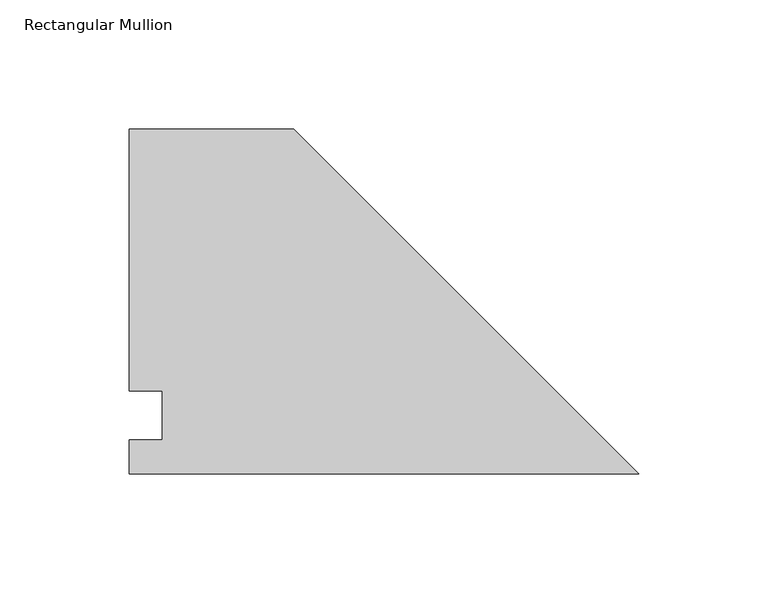
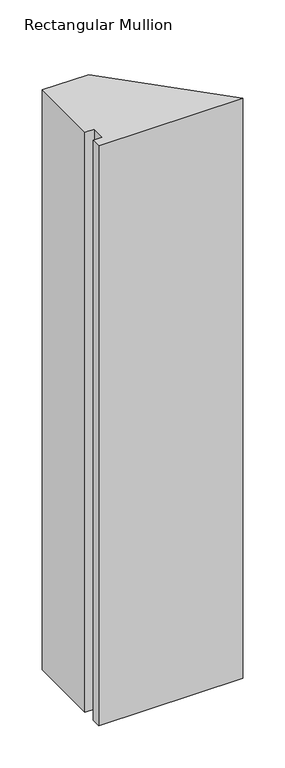
"""IFC4 building model written with IfcOpenShell, lengths in millimetres: member geometry, Rectangular Mullion."""

from ifc_helpers import new_model, si_unit, frame, origin, place, context, project, spatial, polyline, outline, extrude, source, transform, mapped, element, save


def rectangular_mullion_41188802(model_context):
    return source(origin(), model_context, "Body", "SweptSolid", [
        extrude(outline(polyline([(-133.4262, 133.4396937), (0.0, 0.0134937), (-196.9262, 0.0134937), (-196.9262, 13.1960937), (-184.2262, 13.1960937), (-184.2262, 32.2460937), (-196.9262, 32.2460938), (-196.9262, 133.4396937), (-133.4262, 133.4396937)])), frame((0.0, 0.0, -838.2), z_axis=(0.0, 0.0, 1.0), x_axis=(1.0, 0.0, 0.0)), (0.0, 0.0, 1.0), 838.2),
    ])


if __name__ == "__main__":
    model = new_model("IFC4")
    model_context = context("Model", 3, world=origin())
    ifc_project = project(units=[si_unit("LENGTHUNIT", "METRE", prefix="MILLI")], contexts=[model_context])
    site = spatial("IfcSite", under=ifc_project)
    building = spatial("IfcBuilding", under=site)
    placement = place(None, origin())
    rectangular_mullion_shape = rectangular_mullion_41188802(model_context)
    element("IfcMember", 1, ObjectType="Rectangular Mullion", at=placement, inside=building, context=model_context, shape_type="MappedRepresentation", body=[
        mapped(rectangular_mullion_shape, transform((0.0, 0.0, 0.0), x_axis=(1.0, 0.0, 0.0), y_axis=(0.0, 1.0, 0.0), z_axis=(0.0, 0.0, 1.0))),
    ])
    save(model, "model.ifc")
